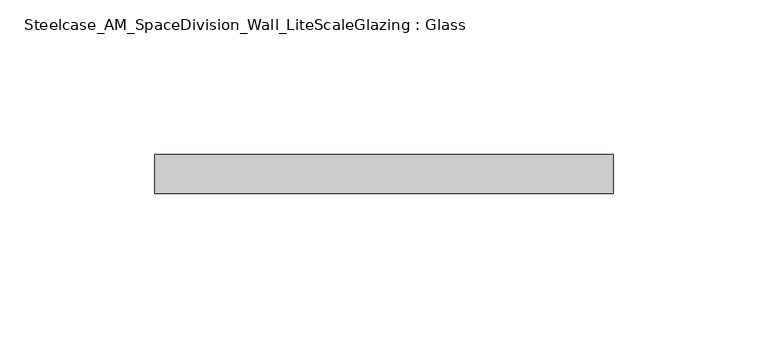
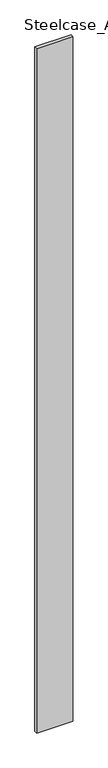
"""IFC4 building model written with IfcOpenShell, lengths in millimetres: plate geometry, Steelcase_AM_SpaceDivision_Wall_LiteScaleGlazing : Glass."""

from ifc_helpers import new_model, si_unit, origin, origin_with_axes, place, context, project, spatial, polyline, outline, extrude, source, transform, mapped, element, save


def steelcase_am_spacedivision_wall_litescaleglazing_glass_8d922b18(model_context):
    return source(origin(), model_context, "Body", "SweptSolid", [
        extrude(outline(polyline([(-74.168, -6.349956), (-74.168, 6.3502015), (74.168, 6.3502015), (74.168, -6.349956), (-74.168, -6.349956)])), origin_with_axes(), (0.0, 0.0, 1.0), 2970.784),
    ])


if __name__ == "__main__":
    model = new_model("IFC4")
    model_context = context("Model", 3, world=origin())
    ifc_project = project(units=[si_unit("LENGTHUNIT", "METRE", prefix="MILLI")], contexts=[model_context])
    site = spatial("IfcSite", under=ifc_project)
    building = spatial("IfcBuilding", under=site)
    placement = place(None, origin())
    steelcase_am_spacedivision_wall_litescaleglazing_glass_shape = steelcase_am_spacedivision_wall_litescaleglazing_glass_8d922b18(model_context)
    element("IfcPlate", 1, ObjectType="Steelcase_AM_SpaceDivision_Wall_LiteScaleGlazing : Glass", at=placement, inside=building, context=model_context, shape_type="MappedRepresentation", body=[
        mapped(steelcase_am_spacedivision_wall_litescaleglazing_glass_shape, transform((0.0, 0.0, 0.0), x_axis=(1.0, 0.0, 0.0), y_axis=(0.0, 1.0, 0.0), z_axis=(0.0, 0.0, 1.0))),
    ])
    save(model, "model.ifc")
